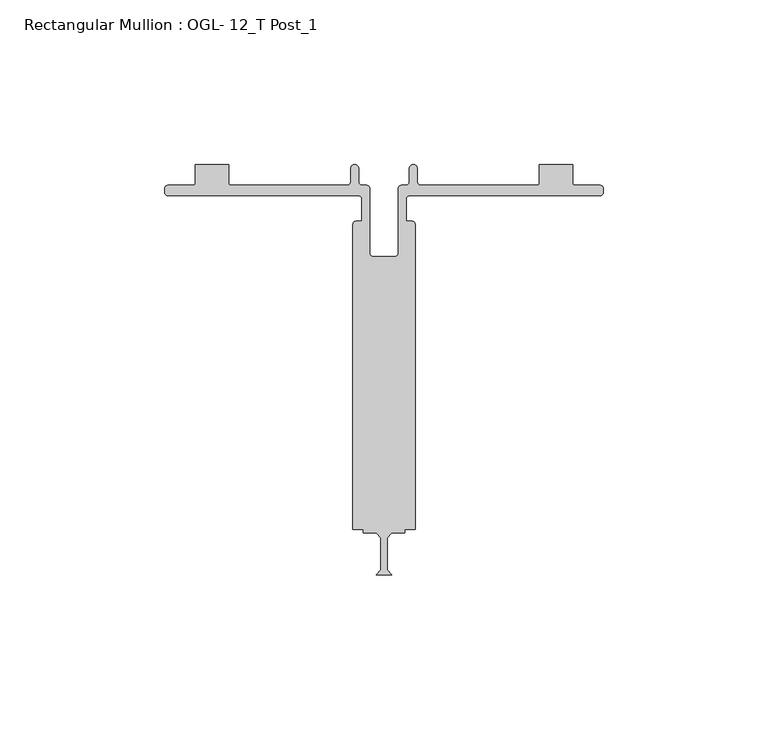
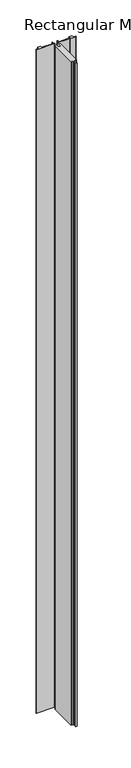
"""IFC4 building model written with IfcOpenShell, lengths in millimetres: member geometry, Rectangular Mullion : OGL- 12_T Post_1."""

import ifcopenshell
import ifcopenshell.guid

model = None  # the IFC model being written
_history = None  # IfcOwnerHistory: only IFC2X3 demands one
_inside = {}  # id of a spatial element -> (the spatial element, [elements in it])
_under = {}  # id of a project, library or spatial element -> (it, [spatial elements below it])
_declared = {}  # id of a project -> (the project, [libraries it declares])
_typed = {}  # id of a type object -> (the type object, [elements of that type])
_made_of = {}  # id of a material, layer set ... -> (it, [elements and type objects made of it])


def new_model(schema):
    """Start an empty IFC model of exactly this schema.

    Asked for "IFC4X3", IfcOpenShell would pick the latest addendum, in which some entities
    have other attributes; the version numbers below select the first issue.
    IFC2X3 requires an IfcOwnerHistory on every rooted entity: one is made here for all.
    """
    global model, _history
    if schema == "IFC4X3":
        model = ifcopenshell.file(schema_version=(4, 3, 0, 0))
    else:
        model = ifcopenshell.file(schema=schema)
    _inside.clear()
    _under.clear()
    _declared.clear()
    _typed.clear()
    _made_of.clear()
    _history = None
    if model.schema == "IFC2X3":
        org = make("IfcOrganization", Name="unknown")
        user = make(
            "IfcPersonAndOrganization",
            ThePerson=make("IfcPerson", FamilyName="unknown"),
            TheOrganization=org,
        )
        app = make(
            "IfcApplication",
            ApplicationDeveloper=org,
            Version="unknown",
            ApplicationFullName="unknown",
            ApplicationIdentifier="unknown",
        )
        _history = make(
            "IfcOwnerHistory",
            OwningUser=user,
            OwningApplication=app,
            ChangeAction="ADDED",
            CreationDate=0,
        )
    return model


def make(cls, **values):
    """One entity of the class cls with the attributes given. An attribute that is None is left unset."""
    return model.create_entity(
        cls, **{name: value for name, value in values.items() if value is not None}
    )


def rooted(cls, **values):
    """An entity with a GlobalId (a new one), such as an element, a storey or a relation."""
    return make(cls, GlobalId=ifcopenshell.guid.new(), OwnerHistory=_history, **values)


def si_unit(unit_type, name, prefix=None):
    """IfcSIUnit, for example si_unit("LENGTHUNIT", "METRE", prefix="MILLI")."""
    return make("IfcSIUnit", UnitType=unit_type, Prefix=prefix, Name=name)


def assignment(units):
    """IfcUnitAssignment: the units of a project."""
    return None if units is None else make("IfcUnitAssignment", Units=units)


def point(xyz):
    """IfcCartesianPoint."""
    return None if xyz is None else make("IfcCartesianPoint", Coordinates=xyz)


def direction(xyz):
    """IfcDirection."""
    return None if xyz is None else make("IfcDirection", DirectionRatios=xyz)


def frame(location, z_axis=None, x_axis=None):
    """IfcAxis2Placement3D, a coordinate frame: its origin and axes. An axis left out is left unset."""
    return make(
        "IfcAxis2Placement3D",
        Location=point(location),
        Axis=direction(z_axis),
        RefDirection=direction(x_axis),
    )


def frame_2d(location, x_axis=None):
    """IfcAxis2Placement2D, a coordinate frame in the plane: its origin and x axis."""
    return make(
        "IfcAxis2Placement2D", Location=point(location), RefDirection=direction(x_axis)
    )


def origin():
    """The frame at (0, 0, 0) with its axes left unset."""
    return frame((0.0, 0.0, 0.0))


def place(relative_to, where):
    """IfcLocalPlacement: puts the frame where relative to a parent placement (None: the world)."""
    return make(
        "IfcLocalPlacement", PlacementRelTo=relative_to, RelativePlacement=where
    )


def context(
    kind, dimensions, precision=None, world=None, true_north=None, identifier=None
):
    """IfcGeometricRepresentationContext, for example the 3D "Model" context."""
    return make(
        "IfcGeometricRepresentationContext",
        ContextIdentifier=identifier,
        ContextType=kind,
        CoordinateSpaceDimension=dimensions,
        Precision=precision,
        WorldCoordinateSystem=world,
        TrueNorth=true_north,
    )


def project(units=None, contexts=None):
    """IfcProject with its units and contexts."""
    return rooted(
        "IfcProject",
        Name="project",
        RepresentationContexts=contexts,
        UnitsInContext=assignment(units),
    )


def spatial(cls, under=None, at=None, **own):
    """A site, building, storey or space (cls), placed at a placement, below another one or the project."""
    s = rooted(cls, ObjectPlacement=at, **own)
    if under is not None:
        _under.setdefault(under.id(), (under, []))[1].append(s)
    return s


def polyline(points):
    """IfcPolyline through the points."""
    return make("IfcPolyline", Points=[point(p) for p in points])


def circle_curve(where, radius):
    """IfcCircle in the frame where."""
    return make("IfcCircle", Position=where, Radius=radius)


def trimmed(basis, trim1, trim2, sense, master):
    """IfcTrimmedCurve: the piece of a basis curve between two trims."""
    return make(
        "IfcTrimmedCurve",
        BasisCurve=basis,
        Trim1=trim1,
        Trim2=trim2,
        SenseAgreement=sense,
        MasterRepresentation=master,
    )


def segment(curve, same_sense, transition):
    """IfcCompositeCurveSegment."""
    return make(
        "IfcCompositeCurveSegment",
        Transition=transition,
        SameSense=same_sense,
        ParentCurve=curve,
    )


def composite_curve(segments, self_intersect=None):
    """IfcCompositeCurve: segments joined end to end."""
    return make("IfcCompositeCurve", Segments=segments, SelfIntersect=self_intersect)


def outline(outer, holes=None, kind="AREA"):
    """IfcArbitraryClosedProfileDef: a profile drawn as a closed curve; with holes, ...WithVoids."""
    if holes is None:
        return make("IfcArbitraryClosedProfileDef", ProfileType=kind, OuterCurve=outer)
    return make(
        "IfcArbitraryProfileDefWithVoids",
        ProfileType=kind,
        OuterCurve=outer,
        InnerCurves=holes,
    )


def extrude(swept, where, along, depth):
    """IfcExtrudedAreaSolid: the profile swept, set in the frame where, extruded along a direction by depth."""
    return make(
        "IfcExtrudedAreaSolid",
        SweptArea=swept,
        Position=where,
        ExtrudedDirection=direction(along),
        Depth=depth,
    )


def shape(context_of_items, identifier, shape_type, items):
    """IfcShapeRepresentation: the items that make up one representation, for example the "Body"."""
    return make(
        "IfcShapeRepresentation",
        ContextOfItems=context_of_items,
        RepresentationIdentifier=identifier,
        RepresentationType=shape_type,
        Items=items,
    )


def source(mapping_origin, context_of_items, identifier, shape_type, items):
    """IfcRepresentationMap: a shape defined once, which mapped items show again and again."""
    return make(
        "IfcRepresentationMap",
        MappingOrigin=mapping_origin,
        MappedRepresentation=shape(context_of_items, identifier, shape_type, items),
    )


def transform(
    local_origin,
    x_axis=None,
    y_axis=None,
    z_axis=None,
    scale=None,
    scale2=None,
    scale3=None,
    uniform=True,
):
    """IfcCartesianTransformationOperator3D, or its non-uniform kind. x_axis, y_axis, z_axis: its Axis1, 2, 3."""
    if uniform:
        return make(
            "IfcCartesianTransformationOperator3D",
            Axis1=direction(x_axis),
            Axis2=direction(y_axis),
            LocalOrigin=point(local_origin),
            Scale=scale,
            Axis3=direction(z_axis),
        )
    return make(
        "IfcCartesianTransformationOperator3DnonUniform",
        Axis1=direction(x_axis),
        Axis2=direction(y_axis),
        LocalOrigin=point(local_origin),
        Scale=scale,
        Axis3=direction(z_axis),
        Scale2=scale2,
        Scale3=scale3,
    )


def mapped(mapping_source, mapping_target):
    """IfcMappedItem: shows the shape of a source again, moved by a transform."""
    return make(
        "IfcMappedItem", MappingSource=mapping_source, MappingTarget=mapping_target
    )


def made_of(thing, what):
    """Note that an element or type object is made of a material, layer set ...; save() writes the relation."""
    if what is not None:
        _made_of.setdefault(what.id(), (what, []))[1].append(thing)
    return thing


def element(
    cls,
    number,
    at=None,
    inside=None,
    cuts=None,
    type_object=None,
    material=None,
    context=None,
    identifier="Body",
    shape_type=None,
    held_by="IfcProductDefinitionShape",
    body=None,
    shapes=None,
    **own,
):
    """One element of the class cls, such as IfcWall. Its Tag is "e" and its number.

    at: its placement. inside: the storey or other place that contains it. cuts: it is an
    opening in that element (IfcRelVoidsElement). A single representation is given by context,
    identifier, shape_type and body (its items); several are given by shapes. held_by: the class
    of the entity that holds the representations. save() writes the other relations.
    """
    e = rooted(cls, Tag="e%d" % number, ObjectPlacement=at, **own)
    if body is not None:
        shapes = [shape(context, identifier, shape_type, body)]
    if shapes is not None:
        e.Representation = make(held_by, Representations=shapes)
    if inside is not None:
        _inside.setdefault(inside.id(), (inside, []))[1].append(e)
    if cuts is not None:
        rooted(
            "IfcRelVoidsElement", RelatingBuildingElement=cuts, RelatedOpeningElement=e
        )
    if type_object is not None:
        _typed.setdefault(type_object.id(), (type_object, []))[1].append(e)
    return made_of(e, material)


def aggregate(whole, parts):
    """IfcRelAggregates: a whole, such as a stair, and the parts it consists of."""
    return rooted("IfcRelAggregates", RelatingObject=whole, RelatedObjects=parts)


def save(model, path):
    """Write the relations noted so far, then the file.

    IfcRelAggregates (storeys below a building ...), IfcRelContainedInSpatialStructure (elements
    in a storey), IfcRelDefinesByType, IfcRelAssociatesMaterial and IfcRelDeclares: one each for
    every whole, place, type object, material and project.
    """
    for whole, parts in _under.values():
        aggregate(whole, parts)
    for where, things in _inside.values():
        rooted(
            "IfcRelContainedInSpatialStructure",
            RelatedElements=things,
            RelatingStructure=where,
        )
    for kind, things in _typed.values():
        rooted("IfcRelDefinesByType", RelatedObjects=things, RelatingType=kind)
    for what, things in _made_of.values():
        rooted("IfcRelAssociatesMaterial", RelatedObjects=things, RelatingMaterial=what)
    for by, libraries in _declared.values():
        rooted("IfcRelDeclares", RelatingContext=by, RelatedDefinitions=libraries)
    model.write(path)


def rectangular_mullion_ogl_12_t_post_1_e0fe3e85(model_context):
    return source(origin(), model_context, "Body", "SweptSolid", [
        extrude(outline(composite_curve([segment(trimmed(circle_curve(frame_2d((-65.672665, 109.870857)), 1.002335), [point((-65.672665, 108.868522))], [point((-66.675, 109.870857))], False, "CARTESIAN"), True, "CONTINUOUS"), segment(polyline([(-66.675, 109.870857), (-66.675, 111.0333998)]), True, "CONTINUOUS"), segment(trimmed(circle_curve(frame_2d((-65.6648778, 111.0333998)), 1.0101222), [point((-66.675, 111.0333998))], [point((-65.6648778, 112.043522))], False, "CARTESIAN"), True, "CONTINUOUS"), segment(polyline([(-65.6648778, 112.043522), (-57.8154834, 112.043522)]), True, "CONTINUOUS"), segment(trimmed(circle_curve(frame_2d((-57.8154834, 112.5844069)), 0.5408849), [point((-57.8154834, 112.043522))], [point((-57.2745985, 112.5844069))], True, "CARTESIAN"), True, "CONTINUOUS"), segment(polyline([(-57.2745985, 112.5844069), (-57.2745985, 118.3816416), (-47.2119458, 118.3816416), (-47.2119458, 112.551522)]), True, "CONTINUOUS"), segment(trimmed(circle_curve(frame_2d((-46.7039458, 112.551522)), 0.508), [point((-47.2119458, 112.551522))], [point((-46.7039458, 112.043522))], True, "CARTESIAN"), True, "CONTINUOUS"), segment(polyline([(-46.7039458, 112.043522), (-11.1449622, 112.043522)]), True, "CONTINUOUS"), segment(trimmed(circle_curve(frame_2d((-11.1449622, 113.059522)), 1.016), [point((-11.1449622, 112.043522))], [point((-10.1289622, 113.059522))], True, "CARTESIAN"), True, "CONTINUOUS"), segment(polyline([(-10.1289622, 113.059522), (-10.1289622, 117.190372)]), True, "CONTINUOUS"), segment(trimmed(circle_curve(frame_2d((-8.9220524, 117.190372)), 1.2069098), [point((-10.1289622, 117.190372))], [point((-7.7151426, 117.190372))], False, "CARTESIAN"), True, "CONTINUOUS"), segment(polyline([(-7.7151426, 117.190372), (-7.7151426, 113.059522)]), True, "CONTINUOUS"), segment(trimmed(circle_curve(frame_2d((-6.6991426, 113.059522)), 1.016), [point((-7.7151426, 113.059522))], [point((-6.6991426, 112.043522))], True, "CARTESIAN"), True, "CONTINUOUS"), segment(polyline([(-6.6991426, 112.043522), (-5.301323, 112.043522)]), True, "CONTINUOUS"), segment(trimmed(circle_curve(frame_2d((-5.301323, 111.027522)), 1.016), [point((-5.301323, 112.043522))], [point((-4.285323, 111.027522))], False, "CARTESIAN"), True, "CONTINUOUS"), segment(polyline([(-4.285323, 111.027522), (-4.285323, 91.4497484)]), True, "CONTINUOUS"), segment(trimmed(circle_curve(frame_2d((-3.269323, 91.4497484)), 1.016), [point((-4.285323, 91.4497484))], [point((-3.269323, 90.4337484))], True, "CARTESIAN"), True, "CONTINUOUS"), segment(polyline([(-3.269323, 90.4337484), (3.269323, 90.4337484)]), True, "CONTINUOUS"), segment(trimmed(circle_curve(frame_2d((3.269323, 91.4497484)), 1.016), [point((3.269323, 90.4337484))], [point((4.285323, 91.4497484))], True, "CARTESIAN"), True, "CONTINUOUS"), segment(polyline([(4.285323, 91.4497484), (4.285323, 111.027522)]), True, "CONTINUOUS"), segment(trimmed(circle_curve(frame_2d((5.301323, 111.027522)), 1.016), [point((4.285323, 111.027522))], [point((5.301323, 112.043522))], False, "CARTESIAN"), True, "CONTINUOUS"), segment(polyline([(5.301323, 112.043522), (6.6991426, 112.043522)]), True, "CONTINUOUS"), segment(trimmed(circle_curve(frame_2d((6.6991426, 113.059522)), 1.016), [point((6.6991426, 112.043522))], [point((7.7151426, 113.059522))], True, "CARTESIAN"), True, "CONTINUOUS"), segment(polyline([(7.7151426, 113.059522), (7.7151426, 117.190372)]), True, "CONTINUOUS"), segment(trimmed(circle_curve(frame_2d((8.9220524, 117.190372)), 1.2069098), [point((7.7151426, 117.190372))], [point((10.1289622, 117.190372))], False, "CARTESIAN"), True, "CONTINUOUS"), segment(polyline([(10.1289622, 117.190372), (10.1289622, 113.059522)]), True, "CONTINUOUS"), segment(trimmed(circle_curve(frame_2d((11.1449622, 113.059522)), 1.016), [point((10.1289622, 113.059522))], [point((11.1449622, 112.043522))], True, "CARTESIAN"), True, "CONTINUOUS"), segment(polyline([(11.1449622, 112.043522), (46.7039458, 112.043522)]), True, "CONTINUOUS"), segment(trimmed(circle_curve(frame_2d((46.7039458, 112.551522)), 0.508), [point((46.7039458, 112.043522))], [point((47.2119458, 112.551522))], True, "CARTESIAN"), True, "CONTINUOUS"), segment(polyline([(47.2119458, 112.551522), (47.2119458, 118.3818074), (57.2745985, 118.3818074), (57.2745985, 112.5844069)]), True, "CONTINUOUS"), segment(trimmed(circle_curve(frame_2d((57.8154834, 112.5844069)), 0.5408849), [point((57.2745985, 112.5844069))], [point((57.8154834, 112.043522))], True, "CARTESIAN"), True, "CONTINUOUS"), segment(polyline([(57.8154834, 112.043522), (65.6648778, 112.043522)]), True, "CONTINUOUS"), segment(trimmed(circle_curve(frame_2d((65.6648778, 111.0333998)), 1.0101222), [point((65.6648778, 112.043522))], [point((66.675, 111.0333998))], False, "CARTESIAN"), True, "CONTINUOUS"), segment(polyline([(66.675, 111.0333998), (66.675, 109.870857)]), True, "CONTINUOUS"), segment(trimmed(circle_curve(frame_2d((65.672665, 109.870857)), 1.002335), [point((66.675, 109.870857))], [point((65.672665, 108.868522))], False, "CARTESIAN"), True, "CONTINUOUS"), segment(polyline([(65.672665, 108.868522), (7.7151426, 108.868522)]), True, "CONTINUOUS"), segment(trimmed(circle_curve(frame_2d((7.7151426, 107.852522)), 1.016), [point((7.7151426, 108.868522))], [point((6.6991426, 107.852522))], True, "CARTESIAN"), True, "CONTINUOUS"), segment(polyline([(6.6991426, 107.852522), (6.6991426, 101.1213024), (8.4584503, 101.1213024)]), True, "CONTINUOUS"), segment(trimmed(circle_curve(frame_2d((8.4584503, 100.1439298)), 0.9773726), [point((8.4584503, 101.1213024))], [point((9.4354913, 100.1184729))], False, "CARTESIAN"), True, "CONTINUOUS"), segment(polyline([(9.4354913, 100.1184729), (9.4354913, 7.4941035), (6.3498342, 7.4941035), (6.3498342, 6.35), (2.3810842, 6.35), (1.0158342, 4.8976064), (1.0158342, -4.8976064), (2.3810842, -6.35), (-2.3814158, -6.35), (-1.0161658, -4.8976064), (-1.0161658, 4.8976064), (-2.3814158, 6.35), (-6.3501658, 6.35), (-6.3501658, 7.4941035), (-9.4358229, 7.4941035), (-9.4358229, 100.1439298)]), True, "CONTINUOUS"), segment(trimmed(circle_curve(frame_2d((-8.4584503, 100.1439298)), 0.9773726), [point((-9.4358229, 100.1439298))], [point((-8.4584503, 101.1213024))], False, "CARTESIAN"), True, "CONTINUOUS"), segment(polyline([(-8.4584503, 101.1213024), (-6.6991426, 101.1213024), (-6.6991426, 107.852522)]), True, "CONTINUOUS"), segment(trimmed(circle_curve(frame_2d((-7.7151426, 107.852522)), 1.016), [point((-6.6991426, 107.852522))], [point((-7.7151426, 108.868522))], True, "CARTESIAN"), True, "CONTINUOUS"), segment(polyline([(-7.7151426, 108.868522), (-65.672665, 108.868522)]), True, "CONTINUOUS")], self_intersect=False)), frame((0.0, 0.0, -2339.914687), z_axis=(0.0, 0.0, 1.0), x_axis=(1.0, 0.0, 0.0)), (0.0, 0.0, 1.0), 2339.914687),
    ])


if __name__ == "__main__":
    model = new_model("IFC4")
    model_context = context("Model", 3, world=origin())
    ifc_project = project(units=[si_unit("LENGTHUNIT", "METRE", prefix="MILLI")], contexts=[model_context])
    site = spatial("IfcSite", under=ifc_project)
    building = spatial("IfcBuilding", under=site)
    placement = place(None, origin())
    rectangular_mullion_ogl_12_t_post_1_shape = rectangular_mullion_ogl_12_t_post_1_e0fe3e85(model_context)
    element("IfcMember", 1, ObjectType="Rectangular Mullion : OGL- 12_T Post_1", at=placement, inside=building, context=model_context, shape_type="MappedRepresentation", body=[
        mapped(rectangular_mullion_ogl_12_t_post_1_shape, transform((0.0, 0.0, 0.0), x_axis=(1.0, 0.0, 0.0), y_axis=(0.0, 1.0, 0.0), z_axis=(0.0, 0.0, 1.0))),
    ])
    save(model, "model.ifc")
